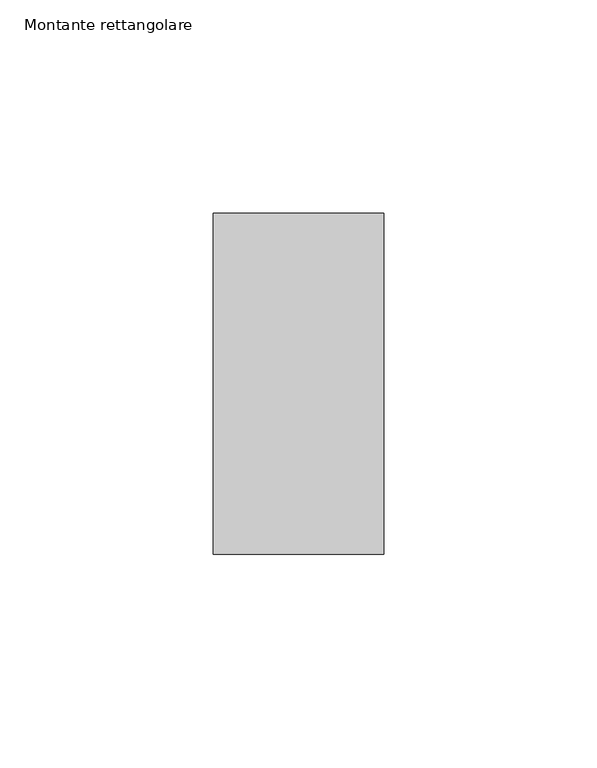
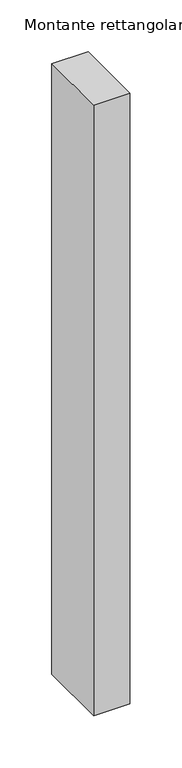
"""IFC4 building model written with IfcOpenShell, lengths in millimetres: member geometry, Montante rettangolare."""

from ifc_helpers import new_model, si_unit, frame, origin, place, context, project, spatial, polyline, outline, extrude, source, transform, mapped, element, save


def montante_rettangolare_9bc01208(model_context):
    return source(origin(), model_context, "Body", "SweptSolid", [
        extrude(outline(polyline([(20.0, 60.0), (20.0, -20.0), (-20.0, -20.0), (-20.0, 60.0), (20.0, 60.0)])), frame((0.0, 0.0, -717.0699651), z_axis=(0.0, 0.0, 1.0), x_axis=(1.0, 0.0, 0.0)), (0.0, 0.0, 1.0), 717.0699651),
    ])


if __name__ == "__main__":
    model = new_model("IFC4")
    model_context = context("Model", 3, world=origin())
    ifc_project = project(units=[si_unit("LENGTHUNIT", "METRE", prefix="MILLI")], contexts=[model_context])
    site = spatial("IfcSite", under=ifc_project)
    building = spatial("IfcBuilding", under=site)
    placement = place(None, origin())
    montante_rettangolare_shape = montante_rettangolare_9bc01208(model_context)
    element("IfcMember", 1, ObjectType="Montante rettangolare", at=placement, inside=building, context=model_context, shape_type="MappedRepresentation", body=[
        mapped(montante_rettangolare_shape, transform((0.0, 0.0, 0.0), x_axis=(1.0, 0.0, 0.0), y_axis=(0.0, 1.0, 0.0), z_axis=(0.0, 0.0, 1.0))),
    ])
    save(model, "model.ifc")
